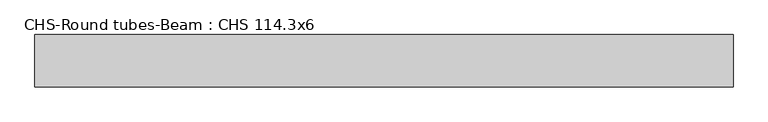
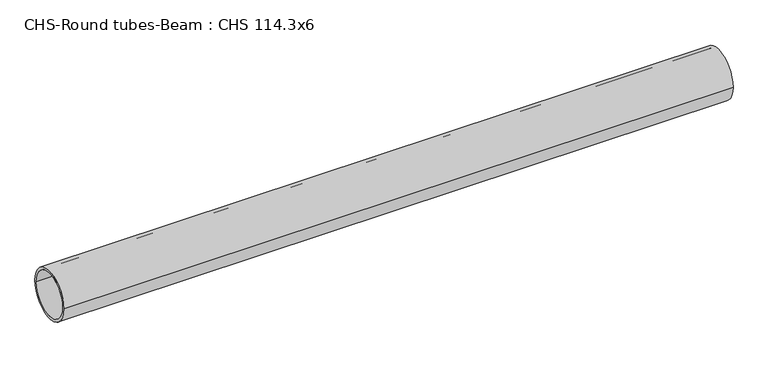
"""IFC4 building model written with IfcOpenShell, lengths in millimetres: beam geometry, CHS-Round tubes-Beam : CHS 114.3x6."""

from ifc_helpers import new_model, si_unit, point, frame, origin, origin_2d, place, context, project, spatial, circle_curve, trimmed, segment, composite_curve, outline, extrude, source, transform, mapped, element, save


def chs_round_tubes_beam_chs_114_3x6_dacb4d71(model_context):
    return source(origin(), model_context, "Body", "SweptSolid", [
        extrude(outline(composite_curve([segment(trimmed(circle_curve(origin_2d(), 57.15), [point((57.15, 0.0))], [point((-57.15, 0.0))], False, "CARTESIAN"), True, "CONTINUOUS"), segment(trimmed(circle_curve(origin_2d(), 57.15), [point((-57.15, 0.0))], [point((57.15, 0.0))], False, "CARTESIAN"), True, "CONTINUOUS")], self_intersect=False), holes=[composite_curve([segment(trimmed(circle_curve(origin_2d(), 51.15), [point((51.15, 0.0))], [point((-51.15, 0.0))], True, "CARTESIAN"), True, "CONTINUOUS"), segment(trimmed(circle_curve(origin_2d(), 51.15), [point((-51.15, 0.0))], [point((51.15, 0.0))], True, "CARTESIAN"), True, "CONTINUOUS")], self_intersect=False)]), frame((-739.2372168, 0.0, 0.0), z_axis=(1.0, 0.0, 0.0), x_axis=(0.0, 1.0, 0.0)), (0.0, 0.0, 1.0), 1528.3854298),
    ])


if __name__ == "__main__":
    model = new_model("IFC4")
    model_context = context("Model", 3, world=origin())
    ifc_project = project(units=[si_unit("LENGTHUNIT", "METRE", prefix="MILLI")], contexts=[model_context])
    site = spatial("IfcSite", under=ifc_project)
    building = spatial("IfcBuilding", under=site)
    placement = place(None, origin())
    chs_round_tubes_beam_chs_114_3x6_shape = chs_round_tubes_beam_chs_114_3x6_dacb4d71(model_context)
    element("IfcBeam", 1, ObjectType="CHS-Round tubes-Beam : CHS 114.3x6", at=placement, inside=building, context=model_context, shape_type="MappedRepresentation", body=[
        mapped(chs_round_tubes_beam_chs_114_3x6_shape, transform((0.0, 0.0, 0.0), x_axis=(1.0, 0.0, 0.0), y_axis=(0.0, 1.0, 0.0), z_axis=(0.0, 0.0, 1.0))),
    ])
    save(model, "model.ifc")
